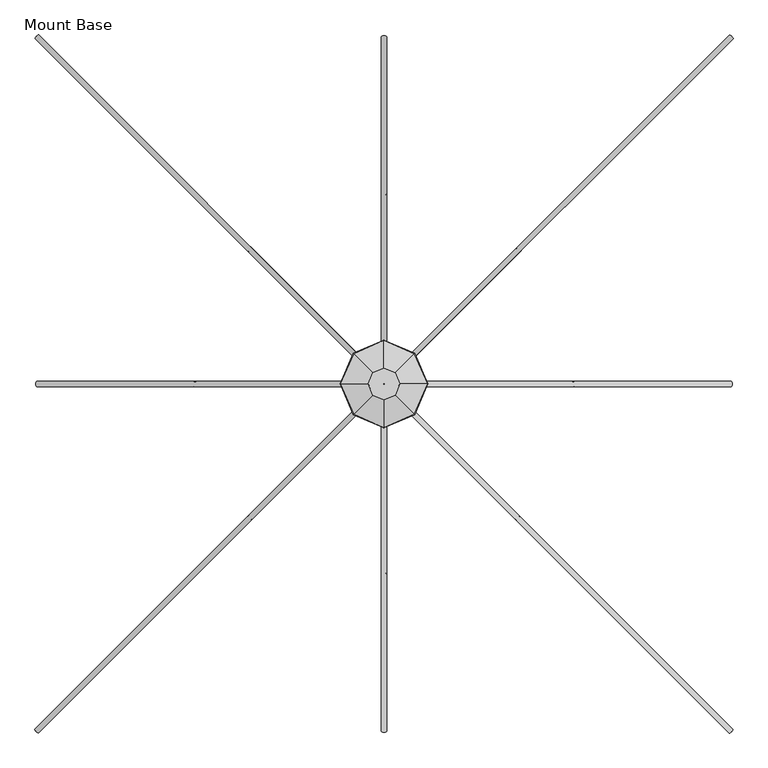
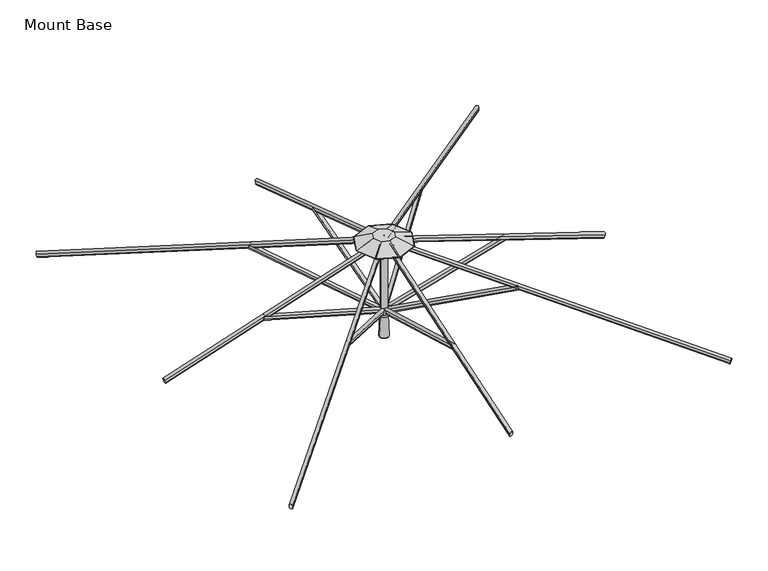
"""IFC4 building model written with IfcOpenShell, lengths in millimetres: furniture geometry, Mount Base."""

from ifc_helpers import new_model, si_unit, point, frame, frame_2d, origin, place, context, project, spatial, polyline, circle_curve, ellipse_curve, trimmed, segment, composite_curve, outline, extrude, source, transform, mapped, element, save
from ifc_brep_helpers import plane_surface, cylinder_surface, revolved_surface, advanced_brep


def mount_base_0a665b4c(model_context):
    return source(origin(), model_context, "Body", "SolidModel", [
        extrude(outline(composite_curve([segment(polyline([(12.9834408, -8.4804821), (12.9834408, -22.8946349)]), True, "CONTINUOUS"), segment(trimmed(circle_curve(frame_2d((4.0299408, -22.8946349)), 8.9535), [point((12.9834408, -22.8946349))], [point((-4.9235592, -22.8946349))], False, "CARTESIAN"), True, "CONTINUOUS"), segment(polyline([(-4.9235592, -22.8946349), (-4.9235592, -8.4804821)]), True, "CONTINUOUS"), segment(trimmed(circle_curve(frame_2d((4.0299408, -8.4804821)), 8.9535), [point((-4.9235592, -8.4804821))], [point((12.9834408, -8.4804821))], False, "CARTESIAN"), True, "CONTINUOUS")], self_intersect=False)), frame((4.0299408, -32.8443862, 2016.9430412), z_axis=(0.0, -0.9618942046764378, 0.2734219066020191), x_axis=(-1.0, 0.0, 0.0)), (0.0, 0.0, 1.0), 673.1),
        extrude(outline(composite_curve([segment(polyline([(12.9834408, -8.4804821), (12.9834408, -22.8946349)]), True, "CONTINUOUS"), segment(trimmed(circle_curve(frame_2d((4.0299408, -22.8946349)), 8.9535), [point((12.9834408, -22.8946349))], [point((-4.9235592, -22.8946349))], False, "CARTESIAN"), True, "CONTINUOUS"), segment(polyline([(-4.9235592, -22.8946349), (-4.9235592, -8.4804821)]), True, "CONTINUOUS"), segment(trimmed(circle_curve(frame_2d((4.0299408, -8.4804821)), 8.9535), [point((-4.9235592, -8.4804821))], [point((12.9834408, -8.4804821))], False, "CARTESIAN"), True, "CONTINUOUS")], self_intersect=False)), frame((-28.8144454, -8.0598816, 2016.9430412), z_axis=(-0.9618942046764378, 0.0, 0.2734219066020191), x_axis=(0.0, 1.0, 0.0)), (0.0, 0.0, 1.0), 673.1),
        extrude(outline(composite_curve([segment(polyline([(12.9834408, -8.4804821), (12.9834408, -22.8946349)]), True, "CONTINUOUS"), segment(trimmed(circle_curve(frame_2d((4.0299408, -22.8946349)), 8.9535), [point((12.9834408, -22.8946349))], [point((-4.9235592, -22.8946349))], False, "CARTESIAN"), True, "CONTINUOUS"), segment(polyline([(-4.9235592, -22.8946349), (-4.9235592, -8.4804821)]), True, "CONTINUOUS"), segment(trimmed(circle_curve(frame_2d((4.0299408, -8.4804821)), 8.9535), [point((-4.9235592, -8.4804821))], [point((12.9834408, -8.4804821))], False, "CARTESIAN"), True, "CONTINUOUS")], self_intersect=False)), frame((-4.0299408, 24.7845046, 2016.9430412), z_axis=(0.0, 0.9618942046764378, 0.2734219066020191), x_axis=(1.0, 0.0, 0.0)), (0.0, 0.0, 1.0), 673.1),
        extrude(outline(composite_curve([segment(trimmed(circle_curve(frame_2d((4.0299408, 7.3267917)), 8.9535), [point((12.9834408, 7.3267917))], [point((-4.9235592, 7.3267917))], False, "CARTESIAN"), True, "CONTINUOUS"), segment(polyline([(-4.9235592, 7.3267917), (-4.9235592, 21.7411303)]), True, "CONTINUOUS"), segment(trimmed(circle_curve(frame_2d((4.0299408, 21.7411303)), 8.9535), [point((-4.9235592, 21.7411303))], [point((12.9834408, 21.7411303))], False, "CARTESIAN"), True, "CONTINUOUS"), segment(polyline([(12.9834408, 21.7411303), (12.9834408, 7.3267917)]), True, "CONTINUOUS")], self_intersect=False)), frame((4.0299408, -1221.9652781, 2021.9166491), z_axis=(0.0, 0.9498609859621477, 0.31267252413190505), x_axis=(-1.0, 0.0, 0.0)), (0.0, 0.0, 1.0), 1244.6),
        extrude(outline(composite_curve([segment(trimmed(circle_curve(frame_2d((4.0299408, 7.3267917)), 8.9535), [point((12.9834408, 7.3267917))], [point((-4.9235592, 7.3267917))], False, "CARTESIAN"), True, "CONTINUOUS"), segment(polyline([(-4.9235592, 7.3267917), (-4.9235592, 21.7411303)]), True, "CONTINUOUS"), segment(trimmed(circle_curve(frame_2d((4.0299408, 21.7411303)), 8.9535), [point((-4.9235592, 21.7411303))], [point((12.9834408, 21.7411303))], False, "CARTESIAN"), True, "CONTINUOUS"), segment(polyline([(12.9834408, 21.7411303), (12.9834408, 7.3267917)]), True, "CONTINUOUS")], self_intersect=False)), frame((-1217.9353374, -8.0598816, 2021.9166491), z_axis=(0.9498609859621477, 0.0, 0.31267252413190505), x_axis=(0.0, 1.0, 0.0)), (0.0, 0.0, 1.0), 1244.6),
        extrude(outline(composite_curve([segment(trimmed(circle_curve(frame_2d((4.0299408, 7.3267917)), 8.9535), [point((12.9834408, 7.3267917))], [point((-4.9235592, 7.3267917))], False, "CARTESIAN"), True, "CONTINUOUS"), segment(polyline([(-4.9235592, 7.3267917), (-4.9235592, 21.7411303)]), True, "CONTINUOUS"), segment(trimmed(circle_curve(frame_2d((4.0299408, 21.7411303)), 8.9535), [point((-4.9235592, 21.7411303))], [point((12.9834408, 21.7411303))], False, "CARTESIAN"), True, "CONTINUOUS"), segment(polyline([(12.9834408, 21.7411303), (12.9834408, 7.3267917)]), True, "CONTINUOUS")], self_intersect=False)), frame((-4.0299408, 1213.9053966, 2021.9166491), z_axis=(0.0, -0.9498609859621477, 0.31267252413190505), x_axis=(1.0, 0.0, 0.0)), (0.0, 0.0, 1.0), 1244.6),
        extrude(outline(composite_curve([segment(trimmed(circle_curve(frame_2d((4.0299408, 7.3267917)), 8.9535), [point((12.9834408, 7.3267917))], [point((-4.9235592, 7.3267917))], False, "CARTESIAN"), True, "CONTINUOUS"), segment(polyline([(-4.9235592, 7.3267917), (-4.9235592, 21.7411303)]), True, "CONTINUOUS"), segment(trimmed(circle_curve(frame_2d((4.0299408, 21.7411303)), 8.9535), [point((-4.9235592, 21.7411303))], [point((12.9834408, 21.7411303))], False, "CARTESIAN"), True, "CONTINUOUS"), segment(polyline([(12.9834408, 21.7411303), (12.9834408, 7.3267917)]), True, "CONTINUOUS")], self_intersect=False)), frame((1217.9353374, 0.0, 2021.9166491), z_axis=(-0.9498609859621477, 0.0, 0.31267252413190505), x_axis=(0.0, -1.0, 0.0)), (0.0, 0.0, 1.0), 1244.6),
        extrude(outline(composite_curve([segment(polyline([(12.9834408, -8.4804821), (12.9834408, -22.8946349)]), True, "CONTINUOUS"), segment(trimmed(circle_curve(frame_2d((4.0299408, -22.8946349)), 8.9535), [point((12.9834408, -22.8946349))], [point((-4.9235592, -22.8946349))], False, "CARTESIAN"), True, "CONTINUOUS"), segment(polyline([(-4.9235592, -22.8946349), (-4.9235592, -8.4804821)]), True, "CONTINUOUS"), segment(trimmed(circle_curve(frame_2d((4.0299408, -8.4804821)), 8.9535), [point((-4.9235592, -8.4804821))], [point((12.9834408, -8.4804821))], False, "CARTESIAN"), True, "CONTINUOUS")], self_intersect=False)), frame((28.8144454, 0.0, 2016.9430412), z_axis=(0.9618942046764378, 0.0, 0.2734219066020191), x_axis=(0.0, -1.0, 0.0)), (0.0, 0.0, 1.0), 673.1),
        advanced_brep(
        [(26.8238842, -18.7890573, 2024.6742307), (14.1664667, -31.4400989, 2024.6776585), (10.6100443, -27.8783613, 2037.6792269), (23.2062525, -15.1701391, 2037.892041), (483.1587726, -475.2862213, 2274.5550651), (479.5450968, -471.6671448, 2287.7659402), (466.9449327, -484.3755253, 2287.5600613), (470.5013551, -487.9372629, 2274.5584929)],
        [
            (0, 1, circle_curve(frame((20.4951755, -25.1145781, 2024.6759446), z_axis=(-0.6593005683444475, 0.6595350198722701, -0.3610212156408164), x_axis=(0.25523516406405533, -0.2553259273320428, -0.9325576024338803)), 8.947892)),
            (1, 2),
            (2, 3, circle_curve(frame((16.8784819, -21.4965984, 2037.8903271), z_axis=(-0.6593005683444475, 0.6595350198722701, -0.3610212156408164), x_axis=(0.25523516406405533, -0.2553259273320428, -0.9325576024338803)), 8.947892)),
            (3, 0),
            (4, 5),
            (5, 6, circle_curve(frame((473.2133703, -477.9937624, 2287.7711615), z_axis=(0.6593005683444475, -0.6595350198722701, 0.3610212156408164), x_axis=(0.25523516406405533, -0.2553259273320428, -0.9325576024338803)), 8.947892)),
            (6, 7),
            (7, 4, circle_curve(frame((476.8300639, -481.6117421, 2274.556779), z_axis=(0.6593005683444475, -0.6595350198722701, 0.3610212156408164), x_axis=(0.25523516406405533, -0.2553259273320428, -0.9325576024338803)), 8.947892)),
            (0, 4),
            (7, 1),
            (6, 2),
            (5, 3),
        ],
        [
            plane_surface(frame((23.1348629, -27.1730305, 2016.0948177), z_axis=(-0.6593005683444475, 0.6595350198722701, -0.36102121564081635), x_axis=(0.7072324735232987, 0.7069810665032811, 0.0))),
            plane_surface(frame((479.4697512, -483.6701945, 2265.9756521), z_axis=(0.6593005683444475, -0.6595350198722701, 0.36102121564081635), x_axis=(0.7072324735232987, 0.7069810665032811, 0.0))),
            cylinder_surface(frame((20.4951755, -25.1145781, 2024.6759446), z_axis=(-0.6593005683444474, 0.65953501987227, -0.36102121564081635), x_axis=(0.25523516406405533, -0.2553259273320428, -0.9325576024338803)), 8.947892),
            plane_surface(frame((14.1664667, -31.4400989, 2024.6776585), z_axis=(-0.7072848833533947, -0.7069286081989967, 0.0001915453068458972), x_axis=(0.6593005683444475, -0.6595350198722703, 0.36102121564081635))),
            cylinder_surface(frame((16.8784819, -21.4965984, 2037.8903271), z_axis=(-0.6593005683444474, 0.65953501987227, -0.36102121564081635), x_axis=(0.25523516406405533, -0.2553259273320428, -0.9325576024338803)), 8.947892),
            plane_surface(frame((23.2102084, -15.1699808, 2037.8851058), z_axis=(0.7072848833533956, 0.7069286081989957, -0.00019154530684939441), x_axis=(0.6593005683444475, -0.6595350198722701, 0.36102121564081635))),
        ],
        [
            (0, [[1, 2, 3, 4]]),
            (1, [[5, 6, 7, 8]]),
            (2, [[-1, 9, -8, 10]]),
            (3, [[-2, -10, -7, 11]]),
            (4, [[-3, -11, -6, 12]]),
            (5, [[-4, -12, -5, -9]]),
        ],
    ),
        advanced_brep(
        [(-14.7591165, -30.853825, 2024.6742307), (-27.4101582, -18.1964075, 2024.6776585), (-23.8484205, -14.6399851, 2037.6792269), (-11.1401983, -27.2361932, 2037.892041), (-471.2562805, -487.1887134, 2274.5550651), (-467.637204, -483.5750376, 2287.7659402), (-480.3455845, -470.9748735, 2287.5600613), (-483.9073222, -474.5312959, 2274.5584929)],
        [
            (0, 1, circle_curve(frame((-21.0846373, -24.5251163, 2024.6759446), z_axis=(0.6595350198722778, 0.6593005683444398, -0.3610212156408163), x_axis=(-0.2553259273320458, -0.2552351640640522, -0.9325576024338804)), 8.947892)),
            (1, 2),
            (2, 3, circle_curve(frame((-17.4666577, -20.9084227, 2037.8903271), z_axis=(0.6595350198722778, 0.6593005683444398, -0.3610212156408163), x_axis=(-0.2553259273320458, -0.2552351640640522, -0.9325576024338804)), 8.947892)),
            (3, 0),
            (4, 5),
            (5, 6, circle_curve(frame((-473.9638217, -477.2433111, 2287.7711615), z_axis=(-0.6595350198722778, -0.6593005683444398, 0.3610212156408163), x_axis=(-0.2553259273320458, -0.2552351640640522, -0.9325576024338804)), 8.947892)),
            (6, 7),
            (7, 4, circle_curve(frame((-477.5818013, -480.8600046, 2274.556779), z_axis=(-0.6595350198722778, -0.6593005683444398, 0.3610212156408163), x_axis=(-0.2553259273320458, -0.2552351640640522, -0.9325576024338804)), 8.947892)),
            (0, 4),
            (7, 1),
            (6, 2),
            (5, 3),
        ],
        [
            plane_surface(frame((-23.1430898, -27.1648036, 2016.0948177), z_axis=(0.6595350198722779, 0.65930056834444, -0.36102121564081635), x_axis=(0.7069810665032729, -0.7072324735233069, 0.0))),
            plane_surface(frame((-479.6402538, -483.499692, 2265.9756521), z_axis=(-0.6595350198722779, -0.65930056834444, 0.36102121564081635), x_axis=(0.7069810665032729, -0.7072324735233069, 0.0))),
            cylinder_surface(frame((-21.0846373, -24.5251163, 2024.6759446), z_axis=(0.6595350198722779, 0.65930056834444, -0.36102121564081635), x_axis=(-0.2553259273320458, -0.2552351640640522, -0.9325576024338804)), 8.947892),
            plane_surface(frame((-27.4101582, -18.1964075, 2024.6776585), z_axis=(-0.7069286081989883, 0.7072848833534031, 0.0001915453068458972), x_axis=(-0.659535019872278, -0.6593005683444396, 0.3610212156408163))),
            cylinder_surface(frame((-17.4666577, -20.9084227, 2037.8903271), z_axis=(0.6595350198722779, 0.65930056834444, -0.36102121564081635), x_axis=(-0.2553259273320458, -0.2552351640640522, -0.9325576024338804)), 8.947892),
            plane_surface(frame((-11.14004, -27.2401492, 2037.8851058), z_axis=(0.7069286081989873, -0.7072848833534039, -0.00019154530684947768), x_axis=(-0.6595350198722779, -0.6593005683444397, 0.36102121564081635))),
        ],
        [
            (0, [[1, 2, 3, 4]]),
            (1, [[5, 6, 7, 8]]),
            (2, [[-1, 9, -8, 10]]),
            (3, [[-2, -10, -7, 11]]),
            (4, [[-3, -11, -6, 12]]),
            (5, [[-4, -12, -5, -9]]),
        ],
    ),
        advanced_brep(
        [(-26.8238842, 10.7291757, 2024.6742307), (-14.1664667, 23.3802174, 2024.6776585), (-10.6100443, 19.8184798, 2037.6792269), (-23.2062525, 7.1102575, 2037.892041), (-483.1587726, 467.2263397, 2274.5550651), (-479.5450968, 463.6072632, 2287.7659402), (-466.9449327, 476.3156438, 2287.5600613), (-470.5013551, 479.8773814, 2274.5584929)],
        [
            (0, 1, circle_curve(frame((-20.4951755, 17.0546966, 2024.6759446), z_axis=(0.6593005683444452, -0.6595350198722726, -0.36102121564081635), x_axis=(-0.25523516406405433, 0.2553259273320437, -0.9325576024338804)), 8.947892)),
            (1, 2),
            (2, 3, circle_curve(frame((-16.8784819, 13.4367169, 2037.8903271), z_axis=(0.6593005683444452, -0.6595350198722726, -0.36102121564081635), x_axis=(-0.25523516406405433, 0.2553259273320437, -0.9325576024338804)), 8.947892)),
            (3, 0),
            (4, 5),
            (5, 6, circle_curve(frame((-473.2133703, 469.9338809, 2287.7711615), z_axis=(-0.6593005683444452, 0.6595350198722726, 0.36102121564081635), x_axis=(-0.25523516406405433, 0.2553259273320437, -0.9325576024338804)), 8.947892)),
            (6, 7),
            (7, 4, circle_curve(frame((-476.8300639, 473.5518606, 2274.556779), z_axis=(-0.6593005683444452, 0.6595350198722726, 0.36102121564081635), x_axis=(-0.25523516406405433, 0.2553259273320437, -0.9325576024338804)), 8.947892)),
            (0, 4),
            (7, 1),
            (6, 2),
            (5, 3),
        ],
        [
            plane_surface(frame((-23.1348629, 19.113149, 2016.0948177), z_axis=(0.6593005683444451, -0.6595350198722725, -0.3610212156408163), x_axis=(-0.7072324735233012, -0.7069810665032785, 0.0))),
            plane_surface(frame((-479.4697512, 475.610313, 2265.9756521), z_axis=(-0.6593005683444451, 0.6595350198722725, 0.3610212156408163), x_axis=(-0.7072324735233012, -0.7069810665032785, 0.0))),
            cylinder_surface(frame((-20.4951755, 17.0546966, 2024.6759446), z_axis=(0.6593005683444452, -0.6595350198722726, -0.36102121564081635), x_axis=(-0.25523516406405433, 0.2553259273320437, -0.9325576024338804)), 8.947892),
            plane_surface(frame((-14.1664667, 23.3802174, 2024.6776585), z_axis=(0.7072848833533973, 0.7069286081989941, 0.00019154530684586946), x_axis=(-0.6593005683444451, 0.6595350198722726, 0.36102121564081635))),
            cylinder_surface(frame((-16.8784819, 13.4367169, 2037.8903271), z_axis=(0.6593005683444452, -0.6595350198722726, -0.36102121564081635), x_axis=(-0.25523516406405433, 0.2553259273320437, -0.9325576024338804)), 8.947892),
            plane_surface(frame((-23.2102084, 7.1100992, 2037.8851058), z_axis=(-0.7072848833533983, -0.7069286081989931, -0.00019154530684931115), x_axis=(-0.6593005683444451, 0.6595350198722727, 0.36102121564081635))),
        ],
        [
            (0, [[1, 2, 3, 4]]),
            (1, [[5, 6, 7, 8]]),
            (2, [[-1, 9, -8, 10]]),
            (3, [[-2, -10, -7, 11]]),
            (4, [[-3, -11, -6, 12]]),
            (5, [[-4, -12, -5, -9]]),
        ],
    ),
        advanced_brep(
        [(14.7591165, 22.7939434, 2024.6742307), (27.4101582, 10.136526, 2024.6776585), (23.8484205, 6.5801035, 2037.6792269), (11.1401983, 19.1763117, 2037.892041), (471.2562805, 479.1288318, 2274.5550651), (467.637204, 475.515156, 2287.7659402), (480.3455845, 462.9149919, 2287.5600613), (483.9073222, 466.4714143, 2274.5584929)],
        [
            (0, 1, circle_curve(frame((21.0846373, 16.4652347, 2024.6759446), z_axis=(-0.6595350198722671, -0.6593005683444505, -0.3610212156408163), x_axis=(0.2553259273320415, 0.2552351640640565, -0.9325576024338803)), 8.947892)),
            (1, 2),
            (2, 3, circle_curve(frame((17.4666577, 12.8485411, 2037.8903271), z_axis=(-0.6595350198722671, -0.6593005683444505, -0.3610212156408163), x_axis=(0.2553259273320415, 0.2552351640640565, -0.9325576024338803)), 8.947892)),
            (3, 0),
            (4, 5),
            (5, 6, circle_curve(frame((473.9638217, 469.1834295, 2287.7711615), z_axis=(0.6595350198722671, 0.6593005683444505, 0.3610212156408163), x_axis=(0.2553259273320415, 0.2552351640640565, -0.9325576024338803)), 8.947892)),
            (6, 7),
            (7, 4, circle_curve(frame((477.5818013, 472.8001231, 2274.556779), z_axis=(0.6595350198722671, 0.6593005683444505, 0.3610212156408163), x_axis=(0.2553259273320415, 0.2552351640640565, -0.9325576024338803)), 8.947892)),
            (0, 4),
            (7, 1),
            (6, 2),
            (5, 3),
        ],
        [
            plane_surface(frame((23.1430898, 19.1049221, 2016.0948177), z_axis=(-0.6595350198722671, -0.6593005683444505, -0.36102121564081635), x_axis=(-0.7069810665032843, 0.7072324735232954, 0.0))),
            plane_surface(frame((479.6402538, 475.4398105, 2265.9756521), z_axis=(0.6595350198722671, 0.6593005683444505, 0.36102121564081635), x_axis=(-0.7069810665032843, 0.7072324735232954, 0.0))),
            cylinder_surface(frame((21.0846373, 16.4652347, 2024.6759446), z_axis=(-0.659535019872267, -0.6593005683444504, -0.36102121564081624), x_axis=(0.2553259273320415, 0.2552351640640565, -0.9325576024338803)), 8.947892),
            plane_surface(frame((27.4101582, 10.136526, 2024.6776585), z_axis=(0.7069286081989999, -0.7072848833533916, 0.0001915453068457862), x_axis=(0.6595350198722673, 0.6593005683444505, 0.36102121564081635))),
            cylinder_surface(frame((17.4666577, 12.8485411, 2037.8903271), z_axis=(-0.659535019872267, -0.6593005683444504, -0.36102121564081624), x_axis=(0.2553259273320415, 0.2552351640640565, -0.9325576024338803)), 8.947892),
            plane_surface(frame((11.14004, 19.1802676, 2037.8851058), z_axis=(-0.7069286081989989, 0.7072848833533925, -0.00019154530684925564), x_axis=(0.6595350198722673, 0.6593005683444505, 0.36102121564081635))),
        ],
        [
            (0, [[1, 2, 3, 4]]),
            (1, [[5, 6, 7, 8]]),
            (2, [[-1, 9, -8, 10]]),
            (3, [[-2, -10, -7, 11]]),
            (4, [[-3, -11, -6, 12]]),
            (5, [[-4, -12, -5, -9]]),
        ],
    ),
        extrude(outline(composite_curve([segment(trimmed(circle_curve(frame_2d((0.0454337, -8.9661607)), 8.9535016), [point((-8.9080678, -8.9644052))], [point((8.9989351, -8.9679161))], False, "CARTESIAN"), True, "CONTINUOUS"), segment(polyline([(8.9989351, -8.9679161), (8.9961217, -23.3170803)]), True, "CONTINUOUS"), segment(trimmed(circle_curve(frame_2d((0.0426203, -23.3153248)), 8.9535016), [point((8.9961217, -23.3170803))], [point((-8.9108812, -23.3135694))], False, "CARTESIAN"), True, "CONTINUOUS"), segment(polyline([(-8.9108812, -23.3135694), (-8.9080678, -8.9644052)]), True, "CONTINUOUS")], self_intersect=False)), frame((1220.3085686, -1224.7212783, 2021.6466591), z_axis=(-0.6887167764887021, 0.688716776488744, 0.22657979514061907), x_axis=(0.707106781186569, 0.707106781186526, 0.0)), (0.0, 0.0, 1.0), 1727.2206122),
        extrude(outline(composite_curve([segment(trimmed(circle_curve(frame_2d((0.0454337, -8.9661607)), 8.9535016), [point((-8.9080678, -8.9644052))], [point((8.9989351, -8.9679161))], False, "CARTESIAN"), True, "CONTINUOUS"), segment(polyline([(8.9989351, -8.9679161), (8.9961218, -23.3170803)]), True, "CONTINUOUS"), segment(trimmed(circle_curve(frame_2d((0.0426203, -23.3153248)), 8.9535016), [point((8.9961218, -23.3170803))], [point((-8.9108812, -23.3135694))], False, "CARTESIAN"), True, "CONTINUOUS"), segment(polyline([(-8.9108812, -23.3135694), (-8.9080678, -8.9644052)]), True, "CONTINUOUS")], self_intersect=False)), frame((-1220.6913375, -1224.3385093, 2021.6466591), z_axis=(0.688716776488752, 0.6887167764886939, 0.2265797951406192), x_axis=(0.7071067811865177, -0.7071067811865773, 0.0)), (0.0, 0.0, 1.0), 1727.2206122),
        extrude(outline(composite_curve([segment(trimmed(circle_curve(frame_2d((0.0454336, -8.9661607)), 8.9535016), [point((-8.9080679, -8.9644052))], [point((8.9989351, -8.9679161))], False, "CARTESIAN"), True, "CONTINUOUS"), segment(polyline([(8.9989351, -8.9679161), (8.9961217, -23.3170803)]), True, "CONTINUOUS"), segment(trimmed(circle_curve(frame_2d((0.0426202, -23.3153248)), 8.9535016), [point((8.9961217, -23.3170803))], [point((-8.9108812, -23.3135694))], False, "CARTESIAN"), True, "CONTINUOUS"), segment(polyline([(-8.9108812, -23.3135694), (-8.9080679, -8.9644052)]), True, "CONTINUOUS")], self_intersect=False)), frame((-1220.3085686, 1216.6613967, 2021.6466591), z_axis=(0.6887167764886996, -0.6887167764887464, 0.22657979514061913), x_axis=(-0.7071067811865716, -0.7071067811865235, 0.0)), (0.0, 0.0, 1.0), 1727.2206122),
        extrude(outline(composite_curve([segment(trimmed(circle_curve(frame_2d((0.0454337, -8.9661607)), 8.9535016), [point((-8.9080678, -8.9644052))], [point((8.9989351, -8.9679161))], False, "CARTESIAN"), True, "CONTINUOUS"), segment(polyline([(8.9989351, -8.9679161), (8.9961217, -23.3170803)]), True, "CONTINUOUS"), segment(trimmed(circle_curve(frame_2d((0.0426203, -23.3153248)), 8.9535016), [point((8.9961217, -23.3170803))], [point((-8.9108812, -23.3135694))], False, "CARTESIAN"), True, "CONTINUOUS"), segment(polyline([(-8.9108812, -23.3135694), (-8.9080678, -8.9644052)]), True, "CONTINUOUS")], self_intersect=False)), frame((1220.6913375, 1216.2786278, 2021.6466591), z_axis=(-0.6887167764887406, -0.6887167764887053, 0.22657979514061916), x_axis=(-0.7071067811865294, 0.7071067811865657, 0.0)), (0.0, 0.0, 1.0), 1727.2206122),
        advanced_brep(
        [(-19.05, -4.0299408, 2413.8101034), (19.05, -4.0299408, 2413.8101034), (19.05, -4.0299408, 2037.8474413), (-19.05, -4.0299408, 2037.8474413), (0.0, -4.0299408, 2413.8101034), (0.0, -4.0299408, 2037.8474413)],
        [
            (0, 1, circle_curve(frame((0.0, -4.0299408, 2413.8101034), z_axis=(0.0, 0.0, -1.0), x_axis=(1.0, 0.0, 0.0)), 19.05)),
            (1, 2),
            (2, 3, circle_curve(frame((0.0, -4.0299408, 2037.8474413), z_axis=(0.0, 0.0, 1.0), x_axis=(1.0, 0.0, 0.0)), 19.05)),
            (3, 0),
            (1, 0, circle_curve(frame((0.0, -4.0299408, 2413.8101034), z_axis=(0.0, 0.0, -1.0), x_axis=(1.0, 0.0, 0.0)), 19.05)),
            (3, 2, circle_curve(frame((0.0, -4.0299408, 2037.8474413), z_axis=(0.0, 0.0, 1.0), x_axis=(1.0, 0.0, 0.0)), 19.05)),
            (4, 1),
            (0, 4),
            (2, 5),
            (5, 3),
        ],
        [
            cylinder_surface(frame((0.0, -4.0299408, 2414.0159748), z_axis=(0.0, 0.0, 1.0), x_axis=(1.0, 0.0, 0.0)), 19.05),
            plane_surface(frame((0.0, -4.0299408, 2413.8101034), z_axis=(0.0, 0.0, 1.0), x_axis=(1.0, 0.0, 0.0))),
            plane_surface(frame((0.0, -4.0299408, 2037.8474413), z_axis=(0.0, 0.0, -1.0), x_axis=(1.0, 0.0, 0.0))),
        ],
        [
            (0, [[1, 2, 3, 4]]),
            (0, [[5, -4, 6, -2]]),
            (1, [[7, -1, 8]]),
            (1, [[-8, -5, -7]]),
            (2, [[-3, 9, 10]]),
            (2, [[-6, -10, -9]]),
        ],
    ),
        advanced_brep(
        [(-24.3041832, -4.0299408, 1872.9627429), (24.3041832, -4.0299408, 1872.9627429), (0.0, -4.0299408, 1872.9627429), (-25.317844, -4.0299408, 1873.9764037), (25.317844, -4.0299408, 1873.9764037), (-20.5098559, -4.0299408, 1995.8898279), (20.5098559, -4.0299408, 1995.8898279), (-23.0187508, -4.0299408, 1995.8898279), (23.0187508, -4.0299408, 1995.8898279), (-30.4482505, -4.0299408, 2013.6380178), (30.4482505, -4.0299408, 2013.6380178), (-30.4482505, -4.0299408, 2039.0380663), (30.4482505, -4.0299408, 2039.0380663), (0.0, -4.0299408, 2039.0380663)],
        [
            (0, 1, circle_curve(frame((0.0, -4.0299408, 1872.9627429), z_axis=(0.0, 0.0, -1.0), x_axis=(1.0, 0.0, 0.0)), 24.3041832)),
            (1, 2),
            (2, 0),
            (1, 0, circle_curve(frame((0.0, -4.0299408, 1872.9627429), z_axis=(0.0, 0.0, -1.0), x_axis=(1.0, 0.0, 0.0)), 24.3041832)),
            (3, 4, circle_curve(frame((0.0, -4.0299408, 1873.9764037), z_axis=(0.0, 0.0, -1.0), x_axis=(1.0, 0.0, 0.0)), 25.317844)),
            (4, 1),
            (0, 3),
            (4, 3, circle_curve(frame((0.0, -4.0299408, 1873.9764037), z_axis=(0.0, 0.0, -1.0), x_axis=(1.0, 0.0, 0.0)), 25.317844)),
            (5, 6, circle_curve(frame((0.0, -4.0299408, 1995.8898279), z_axis=(0.0, 0.0, -1.0), x_axis=(1.0, 0.0, 0.0)), 20.5098559)),
            (6, 4),
            (3, 5),
            (6, 5, circle_curve(frame((0.0, -4.0299408, 1995.8898279), z_axis=(0.0, 0.0, -1.0), x_axis=(1.0, 0.0, 0.0)), 20.5098559)),
            (7, 8, circle_curve(frame((0.0, -4.0299408, 1995.8898279), z_axis=(0.0, 0.0, -1.0), x_axis=(1.0, 0.0, 0.0)), 23.0187508)),
            (8, 6),
            (5, 7),
            (8, 7, circle_curve(frame((0.0, -4.0299408, 1995.8898279), z_axis=(0.0, 0.0, -1.0), x_axis=(1.0, 0.0, 0.0)), 23.0187508)),
            (9, 10, circle_curve(frame((0.0, -4.0299408, 2013.6380178), z_axis=(0.0, 0.0, -1.0), x_axis=(1.0, 0.0, 0.0)), 30.4482505)),
            (10, 8, circle_curve(frame((15.3691688, -4.0299408, 2009.521101), z_axis=(0.0, 1.0, 0.0), x_axis=(1.0, 0.0, 0.0)), 15.6309856)),
            (7, 9, circle_curve(frame((-15.3691688, -4.0299408, 2009.521101), z_axis=(0.0, 1.0, 0.0), x_axis=(-1.0, 0.0, 0.0)), 15.6309856)),
            (10, 9, circle_curve(frame((0.0, -4.0299408, 2013.6380178), z_axis=(0.0, 0.0, -1.0), x_axis=(1.0, 0.0, 0.0)), 30.4482505)),
            (11, 12, circle_curve(frame((0.0, -4.0299408, 2039.0380663), z_axis=(0.0, 0.0, -1.0), x_axis=(1.0, 0.0, 0.0)), 30.4482505)),
            (12, 10, circle_curve(frame((24.5799245, -4.0299408, 2026.338042), z_axis=(0.0, 1.0, 0.0), x_axis=(1.0, 0.0, 0.0)), 13.9902775)),
            (9, 11, circle_curve(frame((-24.5799245, -4.0299408, 2026.338042), z_axis=(0.0, 1.0, 0.0), x_axis=(-1.0, 0.0, 0.0)), 13.9902775)),
            (12, 11, circle_curve(frame((0.0, -4.0299408, 2039.0380663), z_axis=(0.0, 0.0, -1.0), x_axis=(1.0, 0.0, 0.0)), 30.4482505)),
            (13, 12),
            (11, 13),
        ],
        [
            plane_surface(frame((0.0, -4.0299408, 1872.9627429), z_axis=(0.0, 0.0, -1.0), x_axis=(1.0, 0.0, 0.0))),
            revolved_surface(polyline([(24.3041832, -4.0299408, 1872.9627429), (25.317844, -4.0299408, 1873.9764037)]), (0.0, -4.0299408, 2210.5193844), (0.0, 0.0, 1.0)),
            revolved_surface(polyline([(25.317844, -4.0299408, 1873.9764037), (20.5098559, -4.0299408, 1995.8898279)]), (0.0, -4.0299408, 2210.5193844), (0.0, 0.0, 1.0)),
            plane_surface(frame((0.0, -4.0299408, 1995.8898279), z_axis=(0.0, 0.0, -1.0), x_axis=(1.0, 0.0, 0.0))),
            revolved_surface(trimmed(ellipse_curve(frame((15.3691688, -4.0299408, 2009.521101), z_axis=(0.0, -1.0, 0.0), x_axis=(1.0, 0.0, 0.0)), 15.6309856, 15.6309856), [point((23.0187508, -4.0299408, 1995.8898279))], [point((30.4482505, -4.0299408, 2013.6380178))], True, "CARTESIAN"), (0.0, -4.0299408, 2210.5193844), (0.0, 0.0, 1.0)),
            revolved_surface(trimmed(ellipse_curve(frame((24.5799245, -4.0299408, 2026.338042), z_axis=(0.0, -1.0, 0.0), x_axis=(1.0, 0.0, 0.0)), 13.9902775, 13.9902775), [point((30.4482505, -4.0299408, 2013.6380178))], [point((30.4482505, -4.0299408, 2039.0380663))], True, "CARTESIAN"), (0.0, -4.0299408, 2210.5193844), (0.0, 0.0, 1.0)),
            plane_surface(frame((0.0, -4.0299408, 2039.0380663), z_axis=(0.0, 0.0, 1.0), x_axis=(1.0, 0.0, 0.0))),
        ],
        [
            (0, [[1, 2, 3]]),
            (0, [[4, -3, -2]]),
            (1, [[5, 6, -1, 7]]),
            (1, [[8, -7, -4, -6]]),
            (2, [[9, 10, -5, 11]]),
            (2, [[12, -11, -8, -10]]),
            (3, [[13, 14, -9, 15]]),
            (3, [[16, -15, -12, -14]]),
            (4, [[17, 18, -13, 19]]),
            (4, [[20, -19, -16, -18]]),
            (5, [[21, 22, -17, 23]]),
            (5, [[24, -23, -20, -22]]),
            (6, [[25, -21, 26]]),
            (6, [[-26, -24, -25]]),
        ],
    ),
        advanced_brep(
        [(-50.6448461, -4.0299408, 2413.0), (50.6448461, -4.0299408, 2413.0), (0.0, -4.0299408, 2413.0), (-50.6448461, -4.0299408, 2438.4), (50.6448461, -4.0299408, 2438.4), (0.0, -4.0299408, 2438.4)],
        [
            (0, 1, circle_curve(frame((0.0, -4.0299408, 2413.0), z_axis=(0.0, 0.0, -1.0), x_axis=(1.0, 0.0, 0.0)), 50.6448461)),
            (1, 2),
            (2, 0),
            (1, 0, circle_curve(frame((0.0, -4.0299408, 2413.0), z_axis=(0.0, 0.0, -1.0), x_axis=(1.0, 0.0, 0.0)), 50.6448461)),
            (3, 4, circle_curve(frame((0.0, -4.0299408, 2438.4), z_axis=(0.0, 0.0, -1.0), x_axis=(1.0, 0.0, 0.0)), 50.6448461)),
            (4, 1, circle_curve(frame((50.6448461, -4.0299408, 2425.7), z_axis=(0.0, 1.0, 0.0), x_axis=(1.0, 0.0, 0.0)), 12.7)),
            (0, 3, circle_curve(frame((-50.6448461, -4.0299408, 2425.7), z_axis=(0.0, 1.0, 0.0), x_axis=(-1.0, 0.0, 0.0)), 12.7)),
            (4, 3, circle_curve(frame((0.0, -4.0299408, 2438.4), z_axis=(0.0, 0.0, -1.0), x_axis=(1.0, 0.0, 0.0)), 50.6448461)),
            (5, 4),
            (3, 5),
        ],
        [
            plane_surface(frame((0.0, -4.0299408, 2413.0), z_axis=(0.0, 0.0, -1.0), x_axis=(1.0, 0.0, 0.0))),
            revolved_surface(trimmed(ellipse_curve(frame((50.6448461, -4.0299408, 2425.7), z_axis=(0.0, -1.0, 0.0), x_axis=(1.0, 0.0, 0.0)), 12.7, 12.7), [point((50.6448461, -4.0299408, 2413.0))], [point((50.6448461, -4.0299408, 2438.4))], True, "CARTESIAN"), (0.0, -4.0299408, 2520.9500484), (0.0, 0.0, 1.0)),
            plane_surface(frame((0.0, -4.0299408, 2438.4), z_axis=(0.0, 0.0, 1.0), x_axis=(1.0, 0.0, 0.0))),
        ],
        [
            (0, [[1, 2, 3]]),
            (0, [[4, -3, -2]]),
            (1, [[5, 6, -1, 7]]),
            (1, [[8, -7, -4, -6]]),
            (2, [[9, -5, 10]]),
            (2, [[-10, -8, -9]]),
        ],
    ),
        advanced_brep(
        [(56.3535131, -4.0299408, 2463.557476), (39.3168705, 35.2869297, 2463.557476), (0.0, 52.3235723, 2463.557476), (-39.3168705, 35.2869297, 2463.557476), (-56.3535131, -4.0299408, 2463.557476), (-39.3168705, -43.3468112, 2463.557476), (0.0, -60.3834539, 2463.557476), (39.3168705, -43.3468112, 2463.557476), (-0.2799193, -3.7500215, 2463.557476), (0.0, -3.6287279, 2463.557476), (0.2799193, -3.7500215, 2463.557476), (0.4012128, -4.0299408, 2463.557476), (0.2799193, -4.30986, 2463.557476), (0.0, -4.4311536, 2463.557476), (-0.2799193, -4.30986, 2463.557476), (-0.4012128, -4.0299408, 2463.557476), (-29.4465472, 25.4166065, 2449.3082423), (0.0, 38.1762767, 2449.3082423), (29.4465472, 25.4166065, 2449.3082423), (42.2062175, -4.0299408, 2449.3082423), (29.4465472, -33.476488, 2449.3082423), (0.0, -46.2361583, 2449.3082423), (-29.4465472, -33.476488, 2449.3082423), (-42.2062175, -4.0299408, 2449.3082423), (0.4012128, -4.0299408, 2449.3082423), (0.2799193, -3.7500215, 2449.3082423), (0.0, -3.6287279, 2449.3082423), (-0.2799193, -3.7500215, 2449.3082423), (-0.4012128, -4.0299408, 2449.3082423), (-0.2799193, -4.30986, 2449.3082423), (0.0, -4.4311536, 2449.3082423), (0.2799193, -4.30986, 2449.3082423), (-106.4243734, 102.3944326, 2423.9664048), (-152.539794, -4.0299408, 2423.9664048), (-107.0854394, 103.0554986, 2426.5969984), (-153.4873108, -4.0299408, 2426.5969984), (-106.4243734, -110.4543142, 2423.9664048), (-107.0854394, -111.1153802, 2426.5969984), (0.0, -156.5697348, 2423.9664048), (0.0, -157.5172515, 2426.5969984), (106.4243734, -110.4543142, 2423.9664048), (107.0854394, -111.1153802, 2426.5969984), (152.539794, -4.0299408, 2423.9664048), (153.4873108, -4.0299408, 2426.5969984), (106.4243734, 102.3944326, 2423.9664048), (107.0854394, 103.0554986, 2426.5969984), (0.0, 148.5098533, 2423.9664048), (0.0, 149.45737, 2426.5969984)],
        [
            (0, 1),
            (1, 2),
            (2, 3),
            (3, 4),
            (4, 5),
            (5, 6),
            (6, 7),
            (7, 0),
            (8, 9),
            (9, 10),
            (10, 11),
            (11, 12),
            (12, 13),
            (13, 14),
            (14, 15),
            (15, 8),
            (16, 17),
            (17, 18),
            (18, 19),
            (19, 20),
            (20, 21),
            (21, 22),
            (22, 23),
            (23, 16),
            (24, 25),
            (25, 26),
            (26, 27),
            (27, 28),
            (28, 29),
            (29, 30),
            (30, 31),
            (31, 24),
            (27, 8),
            (15, 28),
            (14, 29),
            (13, 30),
            (12, 31),
            (11, 24),
            (10, 25),
            (9, 26),
            (32, 16),
            (23, 33),
            (33, 32),
            (34, 32, ellipse_curve(frame((-106.680847, 102.6509063, 2425.3138919), z_axis=(-0.7071067811865479, -0.707106781186547, 0.0), x_axis=(-0.7071067811865467, 0.7071067811865482, 0.0)), 1.4936871, 1.3890625)),
            (33, 35, ellipse_curve(frame((-152.9074019, -4.0299408, 2425.3138919), z_axis=(0.0, 0.9999999999999999, 0.0), x_axis=(1.0, 0.0, 0.0)), 1.5138634, 1.3890625)),
            (35, 34),
            (3, 34),
            (35, 4),
            (22, 36),
            (36, 33),
            (36, 37, ellipse_curve(frame((-106.680847, -110.7107878, 2425.3138919), z_axis=(-0.707106781186547, 0.707106781186548, 0.0), x_axis=(0.7071067811865479, 0.707106781186547, 0.0)), 1.4936871, 1.3890625)),
            (37, 35),
            (37, 5),
            (21, 38),
            (38, 36),
            (38, 39, ellipse_curve(frame((0.0, -156.9373427, 2425.3138919), z_axis=(-0.9999999999999999, 0.0, 0.0), x_axis=(0.0, 1.0, 0.0)), 1.5138634, 1.3890625)),
            (39, 37),
            (39, 6),
            (20, 40),
            (40, 38),
            (40, 41, ellipse_curve(frame((106.680847, -110.7107878, 2425.3138919), z_axis=(-0.707106781186548, -0.707106781186547, 0.0), x_axis=(-0.7071067811865469, 0.7071067811865481, 0.0)), 1.4936871, 1.3890625)),
            (41, 39),
            (41, 7),
            (19, 42),
            (42, 40),
            (42, 43, ellipse_curve(frame((152.9074019, -4.0299408, 2425.3138919), z_axis=(0.0, -1.0, 0.0), x_axis=(-1.0, 0.0, 0.0)), 1.5138634, 1.3890625)),
            (43, 41),
            (43, 0),
            (18, 44),
            (44, 42),
            (44, 45, ellipse_curve(frame((106.680847, 102.6509063, 2425.3138919), z_axis=(0.707106781186547, -0.707106781186548, 0.0), x_axis=(-0.7071067811865478, -0.7071067811865471, 0.0)), 1.4936871, 1.3890625)),
            (45, 43),
            (45, 1),
            (17, 46),
            (46, 44),
            (46, 47, ellipse_curve(frame((0.0, 148.8774612, 2425.3138919), z_axis=(0.9999999999999999, 0.0, 0.0), x_axis=(0.0, -1.0, 0.0)), 1.5138634, 1.3890625)),
            (47, 45),
            (47, 2),
            (32, 46),
            (34, 47),
        ],
        [
            plane_surface(frame((0.0, 52.3235723, 2463.557476), z_axis=(0.0, 0.0, 1.0), x_axis=(-0.9175613115760062, -0.39759431522460087, 0.0))),
            plane_surface(frame((0.0, -3.6287279, 2449.3082423), z_axis=(0.0, 0.0, -1.0000000000000002), x_axis=(-0.9175613115759853, -0.3975943152246493, 0.0))),
            plane_surface(frame((-0.2799193, -3.7500215, 2463.557476), z_axis=(0.91756131157602, -0.39759431522456923, 0.0), x_axis=(-0.39759431522456923, -0.91756131157602, 0.0))),
            plane_surface(frame((-0.4012128, -4.0299408, 2463.557476), z_axis=(0.9175613115759897, 0.39759431522463884, 0.0), x_axis=(0.39759431522463884, -0.9175613115759897, 0.0))),
            plane_surface(frame((-0.2799193, -4.30986, 2463.557476), z_axis=(0.3975943152245762, 0.9175613115760168, 0.0), x_axis=(0.9175613115760168, -0.3975943152245762, 0.0))),
            plane_surface(frame((0.0, -4.4311536, 2463.557476), z_axis=(-0.3975943152246069, 0.9175613115760036, 0.0), x_axis=(0.9175613115760036, 0.3975943152246069, 0.0))),
            plane_surface(frame((0.2799193, -4.30986, 2463.557476), z_axis=(-0.9175613115759845, 0.39759431522465083, 0.0), x_axis=(0.39759431522465083, 0.9175613115759845, 0.0))),
            plane_surface(frame((0.4012128, -4.0299408, 2463.557476), z_axis=(-0.917561311576034, -0.3975943152245367, 0.0), x_axis=(-0.3975943152245367, 0.917561311576034, 0.0))),
            plane_surface(frame((0.2799193, -3.7500215, 2463.557476), z_axis=(-0.397594315224599, -0.9175613115760071, 0.0), x_axis=(-0.9175613115760071, 0.397594315224599, 0.0))),
            plane_surface(frame((0.0, -3.6287279, 2463.557476), z_axis=(0.3975943152245901, -0.9175613115760108, 0.0), x_axis=(-0.9175613115760108, -0.3975943152245901, 0.0))),
            plane_surface(frame((-29.4465472, 25.4166065, 2449.3082423), z_axis=(0.22280925803229304, -0.09654689365759427, -0.9700694469264397), x_axis=(-0.39759431522460253, -0.9175613115760055, 0.0))),
            cylinder_surface(frame((-106.6947209, 102.6188884, 2425.3138919), z_axis=(0.3975943152246023, 0.9175613115760056, 0.0), x_axis=(0.9175613115760056, -0.3975943152246023, 0.0)), 1.3890625),
            plane_surface(frame((-107.0854394, 103.0554986, 2426.5969984), z_axis=(-0.3514860662024898, 0.15230465805356702, 0.9237211897540758), x_axis=(-0.39759431522460226, -0.9175613115760056, 0.0))),
            plane_surface(frame((-42.2062175, -4.0299408, 2449.3082423), z_axis=(0.22280925803229332, 0.09654689365759361, -0.9700694469264396), x_axis=(0.39759431522459987, -0.9175613115760066, 0.0))),
            cylinder_surface(frame((-152.8921963, -4.065032, 2425.3138919), z_axis=(-0.39759431522459965, 0.9175613115760068, 0.0), x_axis=(0.9175613115760068, 0.39759431522459965, 0.0)), 1.3890625),
            plane_surface(frame((-153.4873108, -4.0299408, 2426.5969984), z_axis=(-0.3514860662024901, -0.15230465805356602, 0.9237211897540758), x_axis=(0.39759431522459976, -0.9175613115760067, 0.0))),
            plane_surface(frame((-29.4465472, -33.476488, 2449.3082423), z_axis=(0.09654689365759396, 0.22280925803229312, -0.9700694469264396), x_axis=(0.9175613115760061, -0.39759431522460137, 0.0))),
            cylinder_surface(frame((-106.6488292, -110.7246617, 2425.3138919), z_axis=(-0.9175613115760063, 0.3975943152246009, 0.0), x_axis=(0.3975943152246009, 0.9175613115760063, 0.0)), 1.3890625),
            plane_surface(frame((-107.0854394, -111.1153802, 2426.5969984), z_axis=(-0.15230465805356655, -0.3514860662024899, 0.9237211897540757), x_axis=(0.9175613115760062, -0.3975943152246011, 0.0))),
            plane_surface(frame((0.0, -46.2361583, 2449.3082423), z_axis=(-0.09654689365759385, 0.22280925803229318, -0.9700694469264397), x_axis=(0.9175613115760063, 0.3975943152246009, 0.0))),
            cylinder_surface(frame((0.0350912, -156.9221371, 2425.3138919), z_axis=(-0.9175613115760062, -0.3975943152246011, 0.0), x_axis=(-0.3975943152246011, 0.9175613115760062, 0.0)), 1.3890625),
            plane_surface(frame((0.0, -157.5172515, 2426.5969984), z_axis=(0.15230465805356644, -0.3514860662024899, 0.9237211897540756), x_axis=(0.9175613115760062, 0.3975943152246008, 0.0))),
            plane_surface(frame((29.4465472, -33.476488, 2449.3082423), z_axis=(-0.22280925803229298, 0.09654689365759413, -0.9700694469264397), x_axis=(0.3975943152246021, 0.9175613115760056, 0.0))),
            cylinder_surface(frame((106.6947209, -110.67877, 2425.3138919), z_axis=(-0.3975943152246023, -0.9175613115760057, 0.0), x_axis=(-0.9175613115760057, 0.3975943152246023, 0.0)), 1.3890625),
            plane_surface(frame((107.0854394, -111.1153802, 2426.5969984), z_axis=(0.3514860662024897, -0.15230465805356708, 0.9237211897540756), x_axis=(0.3975943152246025, 0.9175613115760055, 0.0))),
            plane_surface(frame((42.2062175, -4.0299408, 2449.3082423), z_axis=(-0.22280925803229323, -0.09654689365759356, -0.9700694469264396), x_axis=(-0.3975943152245998, 0.9175613115760067, 0.0))),
            cylinder_surface(frame((152.8921963, -3.9948496, 2425.3138919), z_axis=(0.39759431522459965, -0.9175613115760066, 0.0), x_axis=(-0.9175613115760066, -0.39759431522459965, 0.0)), 1.3890625),
            plane_surface(frame((153.4873108, -4.0299408, 2426.5969984), z_axis=(0.3514860662024901, 0.15230465805356605, 0.9237211897540758), x_axis=(-0.3975943152245998, 0.9175613115760067, 0.0))),
            plane_surface(frame((29.4465472, 25.4166065, 2449.3082423), z_axis=(-0.09654689365759399, -0.22280925803229296, -0.9700694469264395), x_axis=(-0.9175613115760058, 0.39759431522460165, 0.0))),
            cylinder_surface(frame((106.6488292, 102.6647801, 2425.3138919), z_axis=(0.9175613115760062, -0.3975943152246008, 0.0), x_axis=(-0.3975943152246008, -0.9175613115760062, 0.0)), 1.3890625),
            plane_surface(frame((107.0854394, 103.0554986, 2426.5969984), z_axis=(0.15230465805356647, 0.3514860662024899, 0.9237211897540758), x_axis=(-0.9175613115760062, 0.3975943152246009, 0.0))),
            plane_surface(frame((0.0, 38.1762767, 2449.3082423), z_axis=(0.0965468936575939, -0.22280925803229307, -0.9700694469264396), x_axis=(-0.9175613115760061, -0.3975943152246012, 0.0))),
            cylinder_surface(frame((-0.0350912, 148.8622556, 2425.3138919), z_axis=(0.9175613115760061, 0.39759431522460115, 0.0), x_axis=(0.39759431522460115, -0.9175613115760061, 0.0)), 1.3890625),
            plane_surface(frame((0.0, 149.45737, 2426.5969984), z_axis=(-0.15230465805356655, 0.3514860662024899, 0.9237211897540757), x_axis=(-0.9175613115760062, -0.3975943152246011, 0.0))),
        ],
        [
            (0, [[1, 2, 3, 4, 5, 6, 7, 8], [9, 10, 11, 12, 13, 14, 15, 16]]),
            (1, [[17, 18, 19, 20, 21, 22, 23, 24], [25, 26, 27, 28, 29, 30, 31, 32]]),
            (2, [[33, -16, 34, -28]]),
            (3, [[-34, -15, 35, -29]]),
            (4, [[-35, -14, 36, -30]]),
            (5, [[-36, -13, 37, -31]]),
            (6, [[-37, -12, 38, -32]]),
            (7, [[-38, -11, 39, -25]]),
            (8, [[-39, -10, 40, -26]]),
            (9, [[-40, -9, -33, -27]]),
            (10, [[41, -24, 42, 43]]),
            (11, [[44, -43, 45, 46]]),
            (12, [[47, -46, 48, -4]]),
            (13, [[-42, -23, 49, 50]]),
            (14, [[-45, -50, 51, 52]]),
            (15, [[-48, -52, 53, -5]]),
            (16, [[-49, -22, 54, 55]]),
            (17, [[-51, -55, 56, 57]]),
            (18, [[-53, -57, 58, -6]]),
            (19, [[-54, -21, 59, 60]]),
            (20, [[-56, -60, 61, 62]]),
            (21, [[-58, -62, 63, -7]]),
            (22, [[-59, -20, 64, 65]]),
            (23, [[-61, -65, 66, 67]]),
            (24, [[-63, -67, 68, -8]]),
            (25, [[-64, -19, 69, 70]]),
            (26, [[-66, -70, 71, 72]]),
            (27, [[-68, -72, 73, -1]]),
            (28, [[-69, -18, 74, 75]]),
            (29, [[-71, -75, 76, 77]]),
            (30, [[-73, -77, 78, -2]]),
            (31, [[-74, -17, -41, 79]]),
            (32, [[-76, -79, -44, 80]]),
            (33, [[-78, -80, -47, -3]]),
        ],
    ),
    ])


if __name__ == "__main__":
    model = new_model("IFC4")
    model_context = context("Model", 3, world=origin())
    ifc_project = project(units=[si_unit("LENGTHUNIT", "METRE", prefix="MILLI")], contexts=[model_context])
    site = spatial("IfcSite", under=ifc_project)
    building = spatial("IfcBuilding", under=site)
    placement = place(None, origin())
    mount_base_shape = mount_base_0a665b4c(model_context)
    element("IfcFurniture", 1, ObjectType="Mount Base", at=placement, inside=building, context=model_context, shape_type="MappedRepresentation", body=[
        mapped(mount_base_shape, transform((0.0, 0.0, 0.0), x_axis=(1.0, 0.0, 0.0), y_axis=(0.0, 1.0, 0.0), z_axis=(0.0, 0.0, 1.0))),
    ])
    save(model, "model.ifc")
